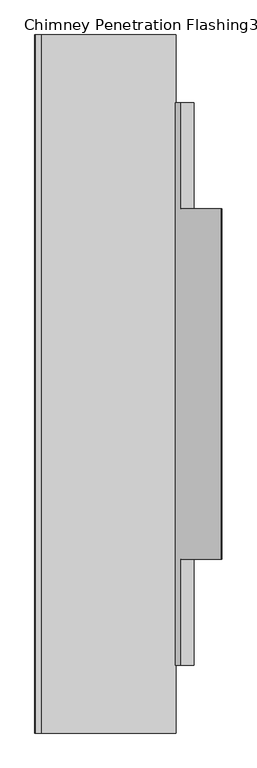
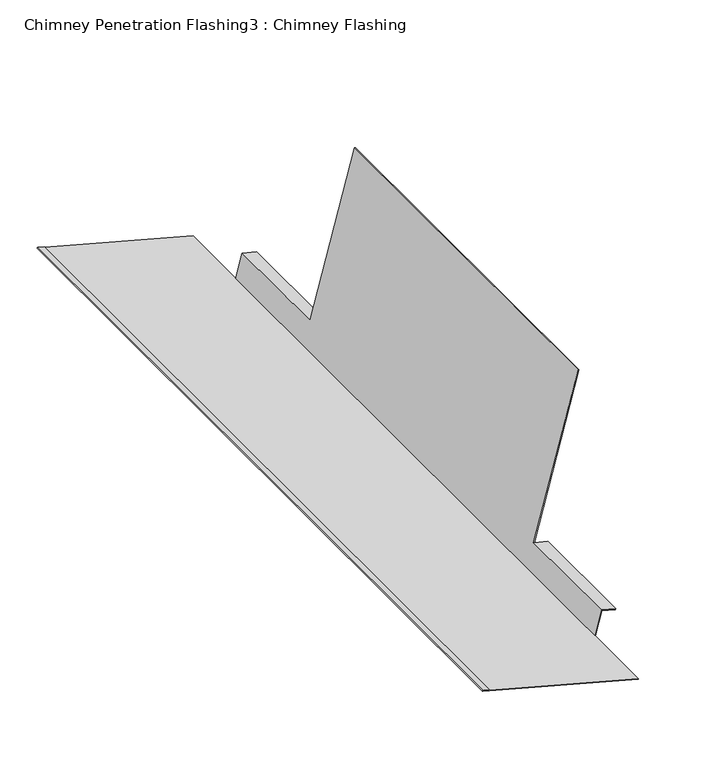
"""IFC4 building model written with IfcOpenShell, lengths in millimetres: proxy geometry, Chimney Penetration Flashing3 : Chimney Flashing."""

from ifc_helpers import new_model, si_unit, frame, origin, place, context, project, spatial, circle_curve, source, transform, mapped, element, save
from ifc_brep_helpers import plane_surface, cylinder_surface, advanced_brep


def chimney_penetration_flashing3_chimney_flashing_9f54a0af(model_context):
    return source(origin(), model_context, "Body", "AdvancedBrep", [
        advanced_brep(
        [(9853.6953655, -13521.7134194, 7245.6112442), (9853.9539312, -13521.7134194, 7246.5772379), (9622.0989255, -13521.7134194, 7308.5722555), (9622.3572377, -13521.7134194, 7309.5383169), (9612.6966231, -13521.7134194, 7312.1214399), (9612.1799985, -13521.7134194, 7310.1893169), (9853.6953655, -12321.7134194, 7245.6112442), (9612.1799985, -12321.7134194, 7310.1893169), (9612.6966231, -12321.7134194, 7312.1214399), (9622.3572377, -12321.7134194, 7309.5383169), (9622.0989255, -12321.7134194, 7308.5722555), (9853.9539312, -12321.7134194, 7246.5772379), (9853.9539312, -12438.0499707, 7246.5772379), (9864.037993, -12438.0499707, 7284.2509927), (9864.037993, -12620.7134194, 7284.2509927), (9864.2965587, -12620.7134194, 7285.2169864), (9933.7658665, -12620.7134194, 7544.752255), (9933.7658665, -13222.7134194, 7544.752255), (9864.2965587, -13222.7134194, 7285.2169864), (9864.037993, -13222.7134194, 7284.2509927), (9864.037993, -13405.3768682, 7284.2509927), (9853.9539312, -13405.3768682, 7246.5772379), (9852.9878697, -13405.3768682, 7246.8355502), (9852.9878697, -12438.0499707, 7246.8355502), (9932.7998728, -13222.7134194, 7545.0108207), (9863.3306328, -13222.7134194, 7285.4758055), (9932.7998728, -12620.7134194, 7545.0108207), (9863.3306328, -12620.7134194, 7285.4758055), (9885.6457254, -13222.7134194, 7279.4964945), (9885.3871597, -13222.7134194, 7278.5305007), (9885.6457254, -13405.3768682, 7279.4964945), (9885.3871597, -13405.3768682, 7278.5305007), (9863.3306328, -12438.0499707, 7285.4758055), (9863.3306328, -13405.3768682, 7285.4758055), (9885.3871597, -12620.7134194, 7278.5305007), (9885.6457254, -12620.7134194, 7279.4964945), (9885.6457254, -12438.0499707, 7279.4964945), (9885.3871597, -12438.0499707, 7278.5305007)],
        [
            (0, 1),
            (1, 2),
            (2, 3),
            (3, 4),
            (4, 5, circle_curve(frame((9612.4383108, -13521.7134194, 7311.1553784), z_axis=(0.0, -1.0, 0.0), x_axis=(-0.49954561977112655, 0.0, -0.8662875814459544)), 1.0)),
            (5, 0),
            (6, 7),
            (7, 8, circle_curve(frame((9612.4383108, -12321.7134194, 7311.1553784), z_axis=(0.0, 1.0, 0.0), x_axis=(-0.49954561977112655, 0.0, -0.8662875814459544)), 1.0)),
            (8, 9),
            (9, 10),
            (10, 11),
            (11, 6),
            (0, 6),
            (11, 12),
            (12, 13),
            (13, 14),
            (14, 15),
            (15, 16),
            (16, 17),
            (17, 18),
            (18, 19),
            (19, 20),
            (20, 21),
            (21, 1),
            (21, 22),
            (22, 23),
            (23, 12),
            (10, 2),
            (9, 3),
            (8, 4),
            (7, 5),
            (17, 24),
            (24, 25),
            (25, 18),
            (26, 16),
            (15, 27),
            (27, 26),
            (26, 24),
            (28, 29),
            (29, 19),
            (18, 28),
            (30, 31),
            (31, 29),
            (28, 30),
            (31, 20),
            (27, 32),
            (32, 23),
            (22, 33),
            (33, 25),
            (30, 33),
            (14, 34),
            (34, 35),
            (35, 15),
            (36, 37),
            (37, 13),
            (32, 36),
            (34, 37),
            (36, 35),
        ],
        [
            plane_surface(frame((8147.0481258, -13521.7134194, 7636.9190019), z_axis=(0.0, -1.0, 0.0), x_axis=(-0.8662875814459544, 0.0, 0.49954561977112655))),
            plane_surface(frame((8147.0481258, -12321.7134194, 7636.9190019), z_axis=(0.0, 1.0, 0.0), x_axis=(-0.8662875814459544, 0.0, 0.49954561977112655))),
            plane_surface(frame((9853.6953655, -13521.7134194, 7245.6112442), z_axis=(0.9659936804777709, 0.0, -0.25856567691209587), x_axis=(0.0, 1.0, 0.0))),
            plane_surface(frame((9853.9539312, -13521.7134194, 7246.5772379), z_axis=(0.2583122909324994, 0.0, 0.9660614682064511), x_axis=(0.0, 1.0, 0.0))),
            plane_surface(frame((9622.0989255, -13521.7134194, 7308.5722555), z_axis=(0.9660614682064237, 0.0, -0.2583122909326017), x_axis=(0.0, 1.0, 0.0))),
            plane_surface(frame((9622.3572377, -13521.7134194, 7309.5383169), z_axis=(0.2583122909325091, 0.0, 0.9660614682064486), x_axis=(0.0, 1.0, 0.0))),
            cylinder_surface(frame((9612.4383108, -13521.7134194, 7311.1553784), z_axis=(0.0, -1.0, 0.0), x_axis=(-0.49954561977112655, 0.0, -0.8662875814459544)), 1.0),
            plane_surface(frame((9612.1799985, -13521.7134194, 7310.1893169), z_axis=(-0.2583122909324994, 0.0, -0.9660614682064511), x_axis=(0.0, 1.0, 0.0))),
            plane_surface(frame((8147.0481258, -13222.7134194, 7636.9190019), z_axis=(0.0, -1.0, 0.0), x_axis=(-0.8662875814459544, 0.0, 0.49954561977112655))),
            plane_surface(frame((8147.0481258, -12620.7134194, 7636.9190019), z_axis=(0.0, 1.0, 0.0), x_axis=(-0.8662875814459544, 0.0, 0.49954561977112655))),
            plane_surface(frame((9933.7658665, -13222.7134194, 7544.752255), z_axis=(0.2585656769122504, 0.0, 0.9659936804777295), x_axis=(0.0, 1.0, 0.0))),
            plane_surface(frame((8147.0481258, -13222.7134194, 7636.9190019), z_axis=(0.0, 1.0, 0.0), x_axis=(-0.8662875814459544, 0.0, 0.49954561977112655))),
            plane_surface(frame((9885.3871597, -13405.3768682, 7278.5305007), z_axis=(0.9659936804777709, 0.0, -0.25856567691209587), x_axis=(0.0, 1.0, 0.0))),
            plane_surface(frame((9864.037993, -13405.3768682, 7284.2509927), z_axis=(-0.2588190451025206, 0.0, -0.9659258262890684), x_axis=(0.0, 1.0, 0.0))),
            plane_surface(frame((9932.7998728, -13222.7134194, 7545.0108207), z_axis=(-0.9659936804777581, 0.0, 0.25856567691214355), x_axis=(0.0, 1.0, 0.0))),
            plane_surface(frame((8147.0481258, -13405.3768682, 7636.9190019), z_axis=(0.0, -1.0, 0.0), x_axis=(-0.8662875814459544, 0.0, 0.49954561977112655))),
            plane_surface(frame((9885.6457254, -13405.3768682, 7279.4964945), z_axis=(0.2588190451032082, 0.0, 0.9659258262888841), x_axis=(0.0, 1.0, 0.0))),
            plane_surface(frame((8147.0481258, -12620.7134194, 7636.9190019), z_axis=(0.0, -1.0, 0.0), x_axis=(-0.8662875814459544, 0.0, 0.49954561977112655))),
            plane_surface(frame((8147.0481258, -12438.0499707, 7636.9190019), z_axis=(0.0, 1.0, 0.0), x_axis=(-0.8662875814459544, 0.0, 0.49954561977112655))),
            plane_surface(frame((9885.3871597, -12620.7134194, 7278.5305007), z_axis=(0.9659936804777709, 0.0, -0.25856567691209587), x_axis=(0.0, 1.0, 0.0))),
            plane_surface(frame((9864.037993, -12620.7134194, 7284.2509927), z_axis=(-0.2588190451025206, 0.0, -0.9659258262890684), x_axis=(0.0, 1.0, 0.0))),
            plane_surface(frame((9885.6457254, -12620.7134194, 7279.4964945), z_axis=(0.2588190451032082, 0.0, 0.9659258262888841), x_axis=(0.0, 1.0, 0.0))),
        ],
        [
            (0, [[1, 2, 3, 4, 5, 6]]),
            (1, [[7, 8, 9, 10, 11, 12]]),
            (2, [[-1, 13, -12, 14, 15, 16, 17, 18, 19, 20, 21, 22, 23, 24]]),
            (3, [[-2, -24, 25, 26, 27, -14, -11, 28]]),
            (4, [[-3, -28, -10, 29]]),
            (5, [[-4, -29, -9, 30]]),
            (6, [[-5, -30, -8, 31]]),
            (7, [[-6, -31, -7, -13]]),
            (8, [[32, 33, 34, -20]]),
            (9, [[35, -18, 36, 37]]),
            (10, [[-32, -19, -35, 38]]),
            (11, [[39, 40, -21, 41]]),
            (12, [[42, 43, -39, 44]]),
            (13, [[45, -22, -40, -43]]),
            (14, [[-38, -37, 46, 47, -26, 48, 49, -33]]),
            (15, [[50, -48, -25, -23, -45, -42]]),
            (16, [[-50, -44, -41, -34, -49]]),
            (17, [[51, 52, 53, -17]]),
            (18, [[54, 55, -15, -27, -47, 56]]),
            (19, [[-52, 57, -54, 58]]),
            (20, [[-51, -16, -55, -57]]),
            (21, [[-56, -46, -36, -53, -58]]),
        ],
    ),
    ])


if __name__ == "__main__":
    model = new_model("IFC4")
    model_context = context("Model", 3, world=origin())
    ifc_project = project(units=[si_unit("LENGTHUNIT", "METRE", prefix="MILLI")], contexts=[model_context])
    site = spatial("IfcSite", under=ifc_project)
    building = spatial("IfcBuilding", under=site)
    placement = place(None, origin())
    chimney_penetration_flashing3_chimney_flashing_shape = chimney_penetration_flashing3_chimney_flashing_9f54a0af(model_context)
    element("IfcBuildingElementProxy", 1, Name="Chimney Penetration Flashing3 : Chimney Flashing", ObjectType="Chimney Penetration Flashing3 : Chimney Flashing", at=placement, inside=building, context=model_context, shape_type="MappedRepresentation", body=[
        mapped(chimney_penetration_flashing3_chimney_flashing_shape, transform((0.0, 0.0, 0.0), x_axis=(1.0, 0.0, 0.0), y_axis=(0.0, 1.0, 0.0), z_axis=(0.0, 0.0, 1.0))),
    ])
    save(model, "model.ifc")
